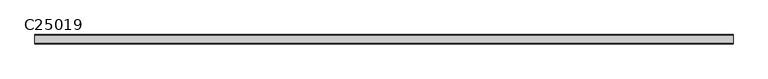
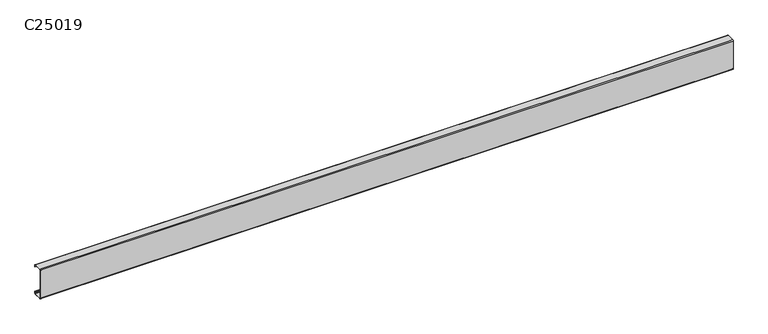
"""IFC4 building model written with IfcOpenShell, lengths in millimetres: beam geometry, C25019."""

from ifc_helpers import new_model, si_unit, point, frame, frame_2d, origin, place, context, project, spatial, polyline, circle_curve, trimmed, segment, composite_curve, outline, extrude, source, transform, mapped, element, save


def c25019_fb79ae6a(model_context):
    return source(origin(), model_context, "Body", "SweptSolid", [
        extrude(outline(composite_curve([segment(polyline([(-31.1, 127.0), (31.1, 127.0)]), True, "CONTINUOUS"), segment(trimmed(circle_curve(frame_2d((31.1, 120.1)), 6.9), [point((31.1, 127.0))], [point((38.0, 120.1))], False, "CARTESIAN"), True, "CONTINUOUS"), segment(polyline([(38.0, 120.1), (38.0, 108.0), (36.1, 108.0), (36.1, 120.1)]), True, "CONTINUOUS"), segment(trimmed(circle_curve(frame_2d((31.1, 120.1)), 5.0), [point((36.1, 120.1))], [point((31.1, 125.1))], True, "CARTESIAN"), True, "CONTINUOUS"), segment(polyline([(31.1, 125.1), (-31.1, 125.1)]), True, "CONTINUOUS"), segment(trimmed(circle_curve(frame_2d((-31.1, 120.1)), 5.0), [point((-31.1, 125.1))], [point((-36.1, 120.1))], True, "CARTESIAN"), True, "CONTINUOUS"), segment(polyline([(-36.1, 120.1), (-36.1, -120.1)]), True, "CONTINUOUS"), segment(trimmed(circle_curve(frame_2d((-31.1, -120.1)), 5.0), [point((-36.1, -120.1))], [point((-31.1, -125.1))], True, "CARTESIAN"), True, "CONTINUOUS"), segment(polyline([(-31.1, -125.1), (31.1, -125.1)]), True, "CONTINUOUS"), segment(trimmed(circle_curve(frame_2d((31.1, -120.1)), 5.0), [point((31.1, -125.1))], [point((36.1, -120.1))], True, "CARTESIAN"), True, "CONTINUOUS"), segment(polyline([(36.1, -120.1), (36.1, -108.0), (38.0, -108.0), (38.0, -120.1)]), True, "CONTINUOUS"), segment(trimmed(circle_curve(frame_2d((31.1, -120.1)), 6.9), [point((38.0, -120.1))], [point((31.1, -127.0))], False, "CARTESIAN"), True, "CONTINUOUS"), segment(polyline([(31.1, -127.0), (-31.1, -127.0)]), True, "CONTINUOUS"), segment(trimmed(circle_curve(frame_2d((-31.1, -120.1)), 6.9), [point((-31.1, -127.0))], [point((-38.0, -120.1))], False, "CARTESIAN"), True, "CONTINUOUS"), segment(polyline([(-38.0, -120.1), (-38.0, 120.1)]), True, "CONTINUOUS"), segment(trimmed(circle_curve(frame_2d((-31.1, 120.1)), 6.9), [point((-38.0, 120.1))], [point((-31.1, 127.0))], False, "CARTESIAN"), True, "CONTINUOUS")], self_intersect=False)), frame((-2636.8, 0.0, 0.0), z_axis=(1.0, 0.0, 0.0), x_axis=(0.0, 1.0, 0.0)), (0.0, 0.0, 1.0), 5691.43),
    ])


if __name__ == "__main__":
    model = new_model("IFC4")
    model_context = context("Model", 3, world=origin())
    ifc_project = project(units=[si_unit("LENGTHUNIT", "METRE", prefix="MILLI")], contexts=[model_context])
    site = spatial("IfcSite", under=ifc_project)
    building = spatial("IfcBuilding", under=site)
    placement = place(None, origin())
    c25019_shape = c25019_fb79ae6a(model_context)
    element("IfcBeam", 1, ObjectType="C25019", at=placement, inside=building, context=model_context, shape_type="MappedRepresentation", body=[
        mapped(c25019_shape, transform((0.0, 0.0, 0.0), x_axis=(1.0, 0.0, 0.0), y_axis=(0.0, 1.0, 0.0), z_axis=(0.0, 0.0, 1.0))),
    ])
    save(model, "model.ifc")
